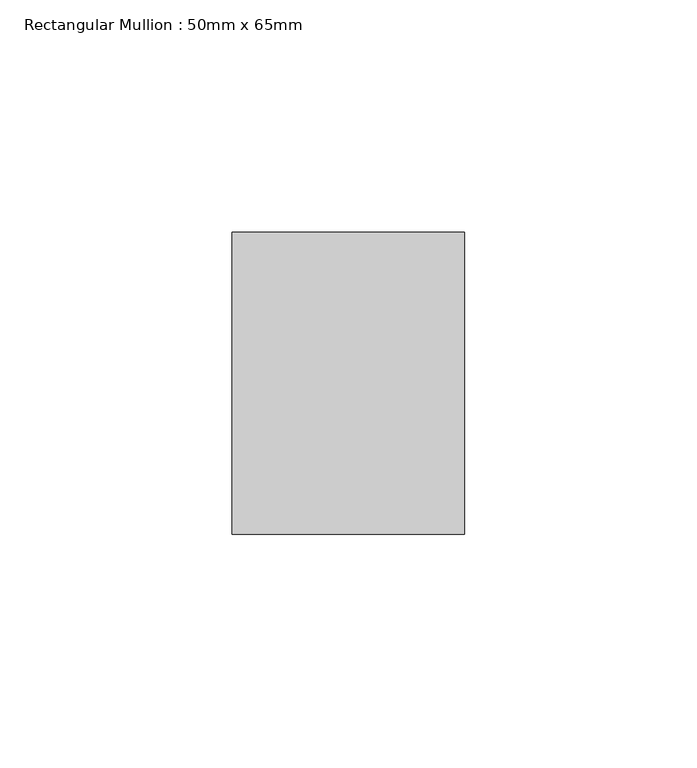
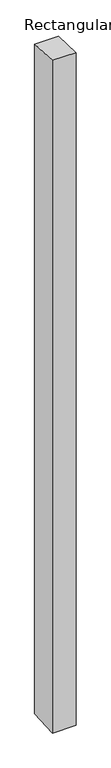
"""IFC4 building model written with IfcOpenShell, lengths in millimetres: member geometry, Rectangular Mullion : 50mm x 65mm."""

from ifc_helpers import new_model, si_unit, origin, place, context, project, spatial, faceted_brep, source, transform, mapped, element, save


def rectangular_mullion_50mm_x_65mm_2ea85e96(model_context):
    return source(origin(), model_context, "Body", "Brep", [
        faceted_brep([(-25.0, 32.5, -1.4676729), (25.0, 32.5, -1.4676774), (25.0, 32.5, -1498.1023842), (-25.0, 32.5, -1498.10239), (-25.0, -32.5, 1.4676774), (-25.0, -32.5, -1501.8981337), (25.0, -32.5, 1.4676729), (25.0, -32.5, -1501.8981278)], [[[0, 1, 2, 3]], [[4, 0, 3, 5]], [[6, 4, 5, 7]], [[1, 6, 7, 2]], [[1, 0, 4, 6]], [[2, 7, 5, 3]]]),
    ])


if __name__ == "__main__":
    model = new_model("IFC4")
    model_context = context("Model", 3, world=origin())
    ifc_project = project(units=[si_unit("LENGTHUNIT", "METRE", prefix="MILLI")], contexts=[model_context])
    site = spatial("IfcSite", under=ifc_project)
    building = spatial("IfcBuilding", under=site)
    placement = place(None, origin())
    rectangular_mullion_50mm_x_65mm_shape = rectangular_mullion_50mm_x_65mm_2ea85e96(model_context)
    element("IfcMember", 1, ObjectType="Rectangular Mullion : 50mm x 65mm", at=placement, inside=building, context=model_context, shape_type="MappedRepresentation", body=[
        mapped(rectangular_mullion_50mm_x_65mm_shape, transform((0.0, 0.0, 0.0), x_axis=(1.0, 0.0, 0.0), y_axis=(0.0, 1.0, 0.0), z_axis=(0.0, 0.0, 1.0))),
    ])
    save(model, "model.ifc")
